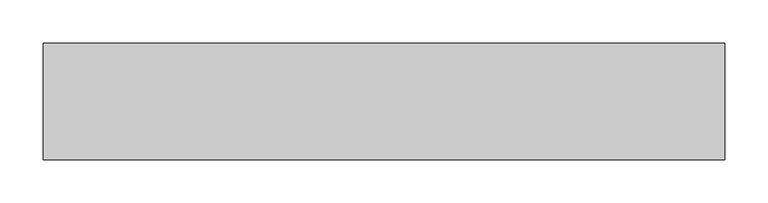
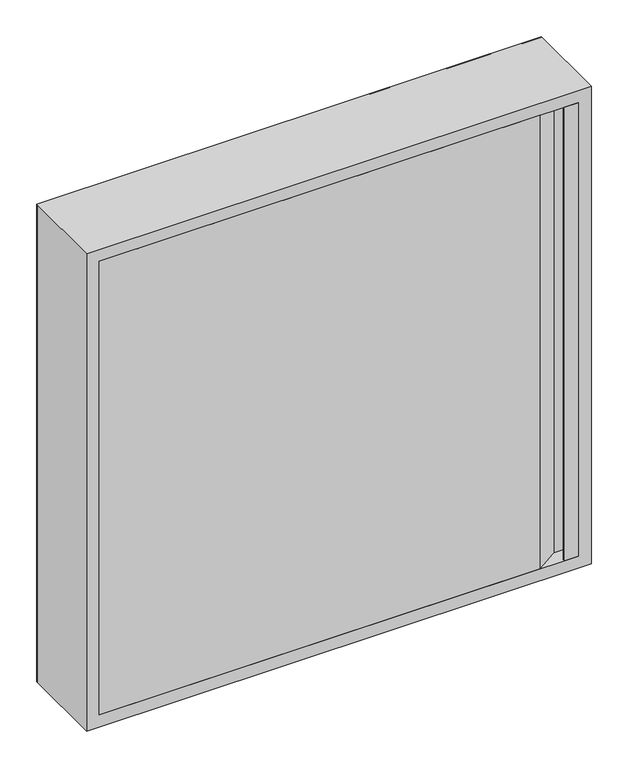
"""IFC4 building model written with IfcOpenShell, lengths in millimetres: fire suppression terminal geometry."""

from ifc_helpers import new_model, si_unit, point, frame, frame_2d, origin, place, context, project, spatial, polyline, circle_curve, trimmed, segment, composite_curve, outline, extrude, faceted_brep, source, transform, mapped, element, save


def fire_suppression_terminal_da3bc07b(model_context):
    return source(origin(), model_context, "Body", "SolidModel", [
        extrude(outline(composite_curve([segment(trimmed(circle_curve(frame_2d((-355.1374166, -354.9676042)), 3.007614), [point((-352.1298027, -354.9676042))], [point((-358.1450306, -354.9676042))], False, "CARTESIAN"), True, "CONTINUOUS"), segment(trimmed(circle_curve(frame_2d((-355.1374166, -354.9676042)), 3.007614), [point((-358.1450306, -354.9676042))], [point((-352.1298027, -354.9676042))], False, "CARTESIAN"), True, "CONTINUOUS")], self_intersect=False)), frame((0.0, 112.0, 0.0), z_axis=(0.0, 1.0, 0.0), x_axis=(0.0, 0.0, 1.0)), (0.0, 0.0, 1.0), 15.0),
        extrude(outline(polyline([(353.0, -3.0), (353.0, 0.0), (354.5, 0.0), (354.5, -1.5), (373.5, -1.5), (373.5, 20.5), (350.0, 20.5), (315.0, -3.0), (-375.0, -3.0), (-375.0, 22.0), (-373.5, 22.0), (-373.5, -1.5), (314.5431419, -1.5), (349.5431419, 22.0), (375.0, 22.0), (375.0, -3.0), (353.0, -3.0)])), frame((0.0, 0.0, -375.0), z_axis=(0.0, 0.0, 1.0), x_axis=(1.0, 0.0, 0.0)), (0.0, 0.0, 1.0), 750.0),
        faceted_brep([(-375.0, 22.0, 375.0), (-375.0, -3.0, 375.0), (-375.0, -3.0, -375.0), (-375.0, 22.0, -375.0), (-376.5, -1.5, 376.5), (-376.5, 22.0, 376.5), (-376.5, 22.0, -376.5), (-376.5, -1.5, -376.5), (-393.5, 130.5, 393.5), (-393.5, -1.5, 393.5), (-393.5, -1.5, -393.5), (-393.5, 130.5, -393.5), (-375.0, 132.0, 375.0), (-375.0, 130.5, 375.0), (-375.0, 130.5, -375.0), (-375.0, 132.0, -375.0), (-395.0, -3.0, 395.0), (-395.0, 132.0, 395.0), (-395.0, 132.0, -395.0), (-395.0, -3.0, -395.0), (375.0, -3.0, -375.0), (375.0, 22.0, -375.0), (376.5, 22.0, -376.5), (376.5, -1.5, -376.5), (393.5, -1.5, -393.5), (393.5, 130.5, -393.5), (375.0, 130.5, -375.0), (375.0, 132.0, -375.0), (395.0, 132.0, -395.0), (395.0, -3.0, -395.0), (375.0, -3.0, 375.0), (375.0, 22.0, 375.0), (376.5, 22.0, 376.5), (376.5, -1.5, 376.5), (393.5, -1.5, 393.5), (393.5, 130.5, 393.5), (375.0, 130.5, 375.0), (375.0, 132.0, 375.0), (395.0, 132.0, 395.0), (395.0, -3.0, 395.0)], [[[0, 1, 2, 3]], [[4, 5, 6, 7]], [[8, 9, 10, 11]], [[12, 13, 14, 15]], [[16, 17, 18, 19]], [[3, 2, 20, 21]], [[7, 6, 22, 23]], [[11, 10, 24, 25]], [[15, 14, 26, 27]], [[19, 18, 28, 29]], [[21, 20, 30, 31]], [[23, 22, 32, 33]], [[25, 24, 34, 35]], [[27, 26, 36, 37]], [[29, 28, 38, 39]], [[1, 0, 31, 30]], [[6, 5, 32, 22], [0, 3, 21, 31]], [[5, 4, 33, 32]], [[10, 9, 34, 24], [4, 7, 23, 33]], [[9, 8, 35, 34]], [[8, 11, 25, 35], [14, 13, 36, 26]], [[13, 12, 37, 36]], [[18, 17, 38, 28], [12, 15, 27, 37]], [[17, 16, 39, 38]], [[16, 19, 29, 39], [2, 1, 30, 20]]]),
        extrude(outline(polyline([(395.0, 395.0), (395.0, -395.0), (-395.0, -395.0), (-395.0, 395.0), (395.0, 395.0)]), holes=[composite_curve([segment(trimmed(circle_curve(frame_2d((-355.1374166, -354.9676042)), 18.5), [point((-355.1374166, -373.4676042))], [point((-355.1374166, -336.4676042))], True, "CARTESIAN"), True, "CONTINUOUS"), segment(trimmed(circle_curve(frame_2d((-355.1374166, -354.9676042)), 18.5), [point((-355.1374166, -336.4676042))], [point((-355.1374166, -373.4676042))], True, "CARTESIAN"), True, "CONTINUOUS")], self_intersect=False)]), frame((0.0, 130.5, 0.0), z_axis=(0.0, 1.0, 0.0), x_axis=(0.0, 0.0, 1.0)), (0.0, 0.0, 1.0), 1.5),
    ])


if __name__ == "__main__":
    model = new_model("IFC4")
    model_context = context("Model", 3, world=origin())
    ifc_project = project(units=[si_unit("LENGTHUNIT", "METRE", prefix="MILLI")], contexts=[model_context])
    site = spatial("IfcSite", under=ifc_project)
    building = spatial("IfcBuilding", under=site)
    placement = place(None, origin())
    fire_suppression_terminal_shape = fire_suppression_terminal_da3bc07b(model_context)
    element("IfcFireSuppressionTerminal", 1, at=placement, inside=building, context=model_context, shape_type="MappedRepresentation", body=[
        mapped(fire_suppression_terminal_shape, transform((0.0, 0.0, 0.0), x_axis=(1.0, 0.0, 0.0), y_axis=(0.0, 1.0, 0.0), z_axis=(0.0, 0.0, 1.0))),
    ])
    save(model, "model.ifc")
